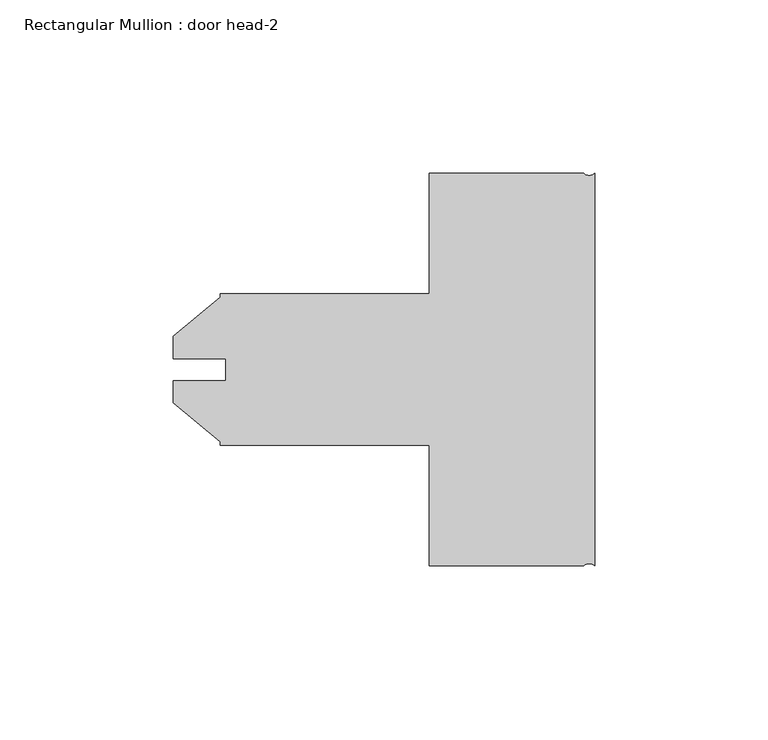
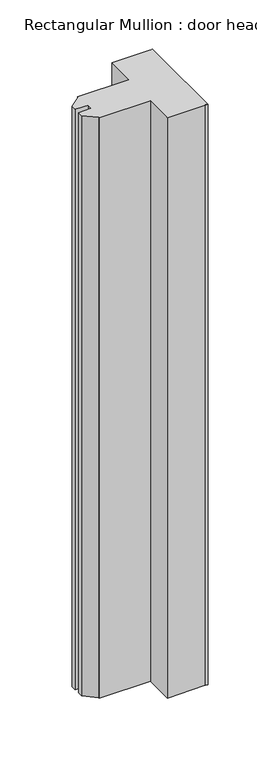
"""IFC4 building model written with IfcOpenShell, lengths in millimetres: member geometry, Rectangular Mullion : door head-2."""

from ifc_helpers import new_model, si_unit, point, frame, frame_2d, origin, place, context, project, spatial, polyline, circle_curve, trimmed, segment, composite_curve, outline, extrude, source, transform, mapped, element, save


def rectangular_mullion_door_head_2_35676ef5(model_context):
    return source(origin(), model_context, "Body", "SweptSolid", [
        extrude(outline(composite_curve([segment(trimmed(circle_curve(frame_2d((-1.5875, -109.1026573)), 2.3718573), [point((0.0, -107.3404))], [point((-3.175, -107.3404))], True, "CARTESIAN"), True, "CONTINUOUS"), segment(polyline([(-3.175, -107.3404), (-47.625, -107.3404), (-47.625, -72.6948), (-107.95, -72.6948), (-107.95, -71.6282933), (-121.412, -60.332334), (-121.412, -53.9620621), (-106.3752, -53.9620621), (-106.3752, -47.6379379), (-121.412, -47.6379379), (-121.412, -41.267666), (-107.95, -29.9717067), (-107.95, -28.9052), (-47.625, -28.9052), (-47.625, 5.7404), (-3.175, 5.7404)]), True, "CONTINUOUS"), segment(trimmed(circle_curve(frame_2d((-1.5875, 7.5026573)), 2.3718573), [point((-3.175, 5.7404))], [point((0.0, 5.7404))], True, "CARTESIAN"), True, "CONTINUOUS"), segment(polyline([(0.0, 5.7404), (0.0, -15.9522916), (0.0, -107.3404)]), True, "CONTINUOUS")], self_intersect=False)), frame((0.0, 0.0, -720.1916), z_axis=(0.0, 0.0, 1.0), x_axis=(1.0, 0.0, 0.0)), (0.0, 0.0, 1.0), 720.1916),
    ])


if __name__ == "__main__":
    model = new_model("IFC4")
    model_context = context("Model", 3, world=origin())
    ifc_project = project(units=[si_unit("LENGTHUNIT", "METRE", prefix="MILLI")], contexts=[model_context])
    site = spatial("IfcSite", under=ifc_project)
    building = spatial("IfcBuilding", under=site)
    placement = place(None, origin())
    rectangular_mullion_door_head_2_shape = rectangular_mullion_door_head_2_35676ef5(model_context)
    element("IfcMember", 1, ObjectType="Rectangular Mullion : door head-2", at=placement, inside=building, context=model_context, shape_type="MappedRepresentation", body=[
        mapped(rectangular_mullion_door_head_2_shape, transform((0.0, 0.0, 0.0), x_axis=(1.0, 0.0, 0.0), y_axis=(0.0, 1.0, 0.0), z_axis=(0.0, 0.0, 1.0))),
    ])
    save(model, "model.ifc")
